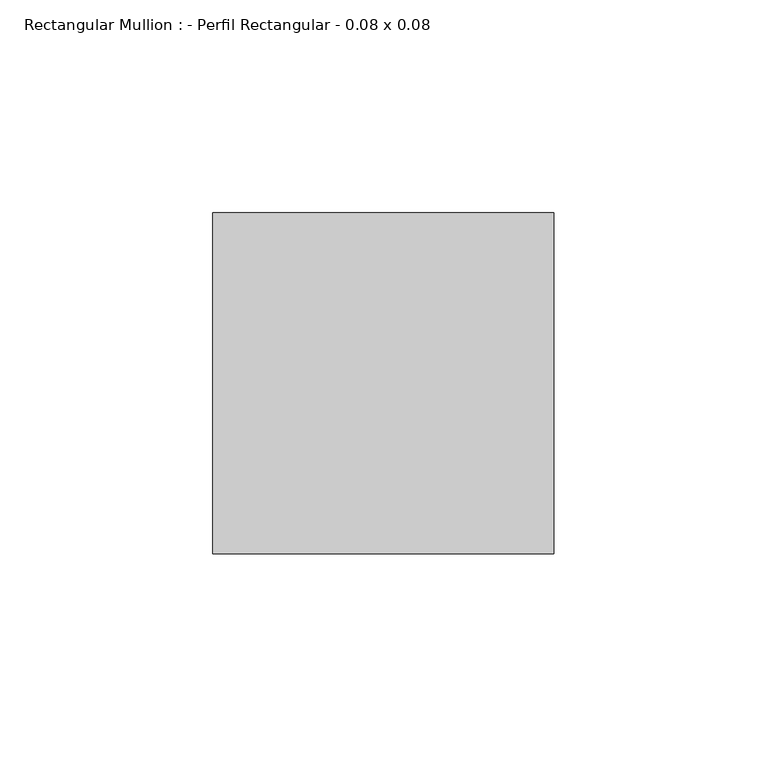
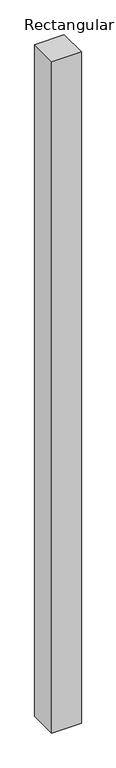
"""IFC4 building model written with IfcOpenShell, lengths in millimetres: member geometry, Rectangular Mullion : - Perfil Rectangular - 0.08 x 0.08."""

from ifc_helpers import new_model, si_unit, frame, origin, place, context, project, spatial, polyline, outline, extrude, source, transform, mapped, element, save


def rectangular_mullion_perfil_rectangular_0_08_x_0_08_3fa5083e(model_context):
    return source(origin(), model_context, "Body", "SweptSolid", [
        extrude(outline(polyline([(0.0, 80.0), (0.0, 0.0), (-80.0, 0.0), (-80.0, 80.0), (0.0, 80.0)])), frame((0.0, 0.0, -1920.0), z_axis=(0.0, 0.0, 1.0), x_axis=(1.0, 0.0, 0.0)), (0.0, 0.0, 1.0), 1920.0),
    ])


if __name__ == "__main__":
    model = new_model("IFC4")
    model_context = context("Model", 3, world=origin())
    ifc_project = project(units=[si_unit("LENGTHUNIT", "METRE", prefix="MILLI")], contexts=[model_context])
    site = spatial("IfcSite", under=ifc_project)
    building = spatial("IfcBuilding", under=site)
    placement = place(None, origin())
    rectangular_mullion_perfil_rectangular_0_08_x_0_08_shape = rectangular_mullion_perfil_rectangular_0_08_x_0_08_3fa5083e(model_context)
    element("IfcMember", 1, ObjectType="Rectangular Mullion : - Perfil Rectangular - 0.08 x 0.08", at=placement, inside=building, context=model_context, shape_type="MappedRepresentation", body=[
        mapped(rectangular_mullion_perfil_rectangular_0_08_x_0_08_shape, transform((0.0, 0.0, 0.0), x_axis=(1.0, 0.0, 0.0), y_axis=(0.0, 1.0, 0.0), z_axis=(0.0, 0.0, 1.0))),
    ])
    save(model, "model.ifc")
